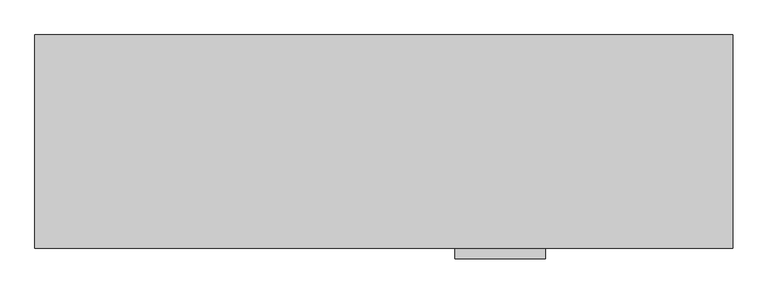
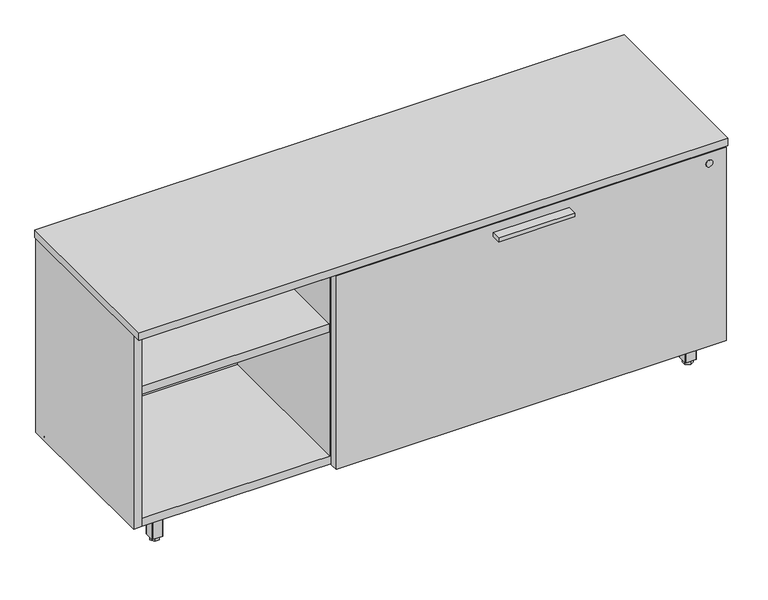
"""IFC4 building model written with IfcOpenShell, lengths in millimetres: furniture geometry."""

from ifc_helpers import new_model, si_unit, point, frame, frame_2d, origin, origin_with_axes, place, context, project, spatial, polyline, circle_curve, trimmed, segment, composite_curve, outline, extrude, source, transform, mapped, element, save


def furniture_224f52fe(model_context):
    return source(origin(), model_context, "Body", "SweptSolid", [
        extrude(outline(polyline([(1003.3635, -447.8158592), (825.5635, -447.8158592), (825.5635, -425.5908592), (1003.3635, -425.5908592), (1003.3635, -447.8158592)])), frame((0.0, 0.0, 506.1508939), z_axis=(0.0, 0.0, 1.0), x_axis=(1.0, 0.0, 0.0)), (0.0, 0.0, 1.0), 9.525),
        extrude(outline(polyline([(70.8025, -367.813183), (76.5175, -377.7118534), (70.8025, -387.6105237), (59.3725, -387.6105237), (53.6575, -377.7118534), (59.3725, -367.813183), (70.8025, -367.813183)])), origin_with_axes(), (0.0, 0.0, 1.0), 9.144),
        extrude(outline(composite_curve([segment(trimmed(circle_curve(frame_2d((65.0875, -377.7118534)), 4.445), [point((69.5325, -377.7118534))], [point((60.6425, -377.7118534))], False, "CARTESIAN"), True, "CONTINUOUS"), segment(trimmed(circle_curve(frame_2d((65.0875, -377.7118534)), 4.445), [point((60.6425, -377.7118534))], [point((69.5325, -377.7118534))], False, "CARTESIAN"), True, "CONTINUOUS")], self_intersect=False)), frame((0.0, 0.0, 7.112), z_axis=(0.0, 0.0, 1.0), x_axis=(1.0, 0.0, 0.0)), (0.0, 0.0, 1.0), 2.032),
        extrude(outline(composite_curve([segment(trimmed(circle_curve(frame_2d((11.1125, -393.5868534)), 3.175), [point((11.1125, -396.7618534))], [point((7.9375, -393.5868534))], False, "CARTESIAN"), True, "CONTINUOUS"), segment(polyline([(7.9375, -393.5868534), (7.9375, -323.7368534)]), True, "CONTINUOUS"), segment(trimmed(circle_curve(frame_2d((11.1125, -323.7368534)), 3.175), [point((7.9375, -323.7368534))], [point((11.1125, -320.5618534))], False, "CARTESIAN"), True, "CONTINUOUS"), segment(polyline([(11.1125, -320.5618534), (80.9625, -320.5618534)]), True, "CONTINUOUS"), segment(trimmed(circle_curve(frame_2d((80.9625, -323.7368534)), 3.175), [point((80.9625, -320.5618534))], [point((84.1375, -323.7368534))], False, "CARTESIAN"), True, "CONTINUOUS"), segment(polyline([(84.1375, -323.7368534), (84.1375, -393.5868534)]), True, "CONTINUOUS"), segment(trimmed(circle_curve(frame_2d((80.9625, -393.5868534)), 3.175), [point((84.1375, -393.5868534))], [point((80.9625, -396.7618534))], False, "CARTESIAN"), True, "CONTINUOUS"), segment(polyline([(80.9625, -396.7618534), (11.1125, -396.7618534)]), True, "CONTINUOUS")], self_intersect=False)), frame((0.0, 0.0, 58.3692), z_axis=(0.0, 0.0, 1.0), x_axis=(1.0, 0.0, 0.0)), (0.0, 0.0, 1.0), 1.89738),
        extrude(outline(composite_curve([segment(polyline([(76.5175, -390.4118534), (53.6575, -390.4118534)]), True, "CONTINUOUS"), segment(trimmed(circle_curve(frame_2d((53.6575, -389.1418534)), 1.27), [point((53.6575, -390.4118534))], [point((52.3875, -389.1418534))], False, "CARTESIAN"), True, "CONTINUOUS"), segment(polyline([(52.3875, -389.1418534), (52.3875, -366.2818534)]), True, "CONTINUOUS"), segment(trimmed(circle_curve(frame_2d((53.6575, -366.2818534)), 1.27), [point((52.3875, -366.2818534))], [point((53.6575, -365.0118534))], False, "CARTESIAN"), True, "CONTINUOUS"), segment(polyline([(53.6575, -365.0118534), (76.5175, -365.0118534)]), True, "CONTINUOUS"), segment(trimmed(circle_curve(frame_2d((76.5175, -366.2818534)), 1.27), [point((76.5175, -365.0118534))], [point((77.7875, -366.2818534))], False, "CARTESIAN"), True, "CONTINUOUS"), segment(polyline([(77.7875, -366.2818534), (77.7875, -389.1418534)]), True, "CONTINUOUS"), segment(trimmed(circle_curve(frame_2d((76.5175, -389.1418534)), 1.27), [point((77.7875, -389.1418534))], [point((76.5175, -390.4118534))], False, "CARTESIAN"), True, "CONTINUOUS")], self_intersect=False)), frame((0.0, 0.0, 9.144), z_axis=(0.0, 0.0, 1.0), x_axis=(1.0, 0.0, 0.0)), (0.0, 0.0, 1.0), 49.2252),
        extrude(outline(polyline([(55.1888296, -42.0508713), (65.0875, -36.3358713), (74.9861704, -42.0508713), (74.9861704, -53.4808713), (65.0875, -59.1958713), (55.1888296, -53.4808713), (55.1888296, -42.0508713)])), origin_with_axes(), (0.0, 0.0, 1.0), 9.144),
        extrude(outline(composite_curve([segment(trimmed(circle_curve(frame_2d((65.0875, -47.7658713)), 4.445), [point((65.0875, -43.3208713))], [point((65.0875, -52.2108713))], False, "CARTESIAN"), True, "CONTINUOUS"), segment(trimmed(circle_curve(frame_2d((65.0875, -47.7658713)), 4.445), [point((65.0875, -52.2108713))], [point((65.0875, -43.3208713))], False, "CARTESIAN"), True, "CONTINUOUS")], self_intersect=False)), frame((0.0, 0.0, 7.112), z_axis=(0.0, 0.0, 1.0), x_axis=(1.0, 0.0, 0.0)), (0.0, 0.0, 1.0), 2.032),
        extrude(outline(composite_curve([segment(trimmed(circle_curve(frame_2d((80.9625, -101.7408713)), 3.175), [point((84.1375, -101.7408713))], [point((80.9625, -104.9158713))], False, "CARTESIAN"), True, "CONTINUOUS"), segment(polyline([(80.9625, -104.9158713), (11.1125, -104.9158713)]), True, "CONTINUOUS"), segment(trimmed(circle_curve(frame_2d((11.1125, -101.7408713)), 3.175), [point((11.1125, -104.9158713))], [point((7.9375, -101.7408713))], False, "CARTESIAN"), True, "CONTINUOUS"), segment(polyline([(7.9375, -101.7408713), (7.9375, -31.8908713)]), True, "CONTINUOUS"), segment(trimmed(circle_curve(frame_2d((11.1125, -31.8908713)), 3.175), [point((7.9375, -31.8908713))], [point((11.1125, -28.7158713))], False, "CARTESIAN"), True, "CONTINUOUS"), segment(polyline([(11.1125, -28.7158713), (80.9625, -28.7158713)]), True, "CONTINUOUS"), segment(trimmed(circle_curve(frame_2d((80.9625, -31.8908713)), 3.175), [point((80.9625, -28.7158713))], [point((84.1375, -31.8908713))], False, "CARTESIAN"), True, "CONTINUOUS"), segment(polyline([(84.1375, -31.8908713), (84.1375, -101.7408713)]), True, "CONTINUOUS")], self_intersect=False)), frame((0.0, 0.0, 58.3692), z_axis=(0.0, 0.0, 1.0), x_axis=(1.0, 0.0, 0.0)), (0.0, 0.0, 1.0), 1.89738),
        extrude(outline(composite_curve([segment(polyline([(77.7875, -36.3358713), (77.7875, -59.1958713)]), True, "CONTINUOUS"), segment(trimmed(circle_curve(frame_2d((76.5175, -59.1958713)), 1.27), [point((77.7875, -59.1958713))], [point((76.5175, -60.4658713))], False, "CARTESIAN"), True, "CONTINUOUS"), segment(polyline([(76.5175, -60.4658713), (53.6575, -60.4658713)]), True, "CONTINUOUS"), segment(trimmed(circle_curve(frame_2d((53.6575, -59.1958713)), 1.27), [point((53.6575, -60.4658713))], [point((52.3875, -59.1958713))], False, "CARTESIAN"), True, "CONTINUOUS"), segment(polyline([(52.3875, -59.1958713), (52.3875, -36.3358713)]), True, "CONTINUOUS"), segment(trimmed(circle_curve(frame_2d((53.6575, -36.3358713)), 1.27), [point((52.3875, -36.3358713))], [point((53.6575, -35.0658713))], False, "CARTESIAN"), True, "CONTINUOUS"), segment(polyline([(53.6575, -35.0658713), (76.5175, -35.0658713)]), True, "CONTINUOUS"), segment(trimmed(circle_curve(frame_2d((76.5175, -36.3358713)), 1.27), [point((76.5175, -35.0658713))], [point((77.7875, -36.3358713))], False, "CARTESIAN"), True, "CONTINUOUS")], self_intersect=False)), frame((0.0, 0.0, 9.144), z_axis=(0.0, 0.0, 1.0), x_axis=(1.0, 0.0, 0.0)), (0.0, 0.0, 1.0), 49.2252),
        extrude(outline(polyline([(1300.7975, -57.6645417), (1295.0825, -47.7658713), (1300.7975, -37.8672009), (1312.2275, -37.8672009), (1317.9425, -47.7658713), (1312.2275, -57.6645417), (1300.7975, -57.6645417)])), origin_with_axes(), (0.0, 0.0, 1.0), 9.144),
        extrude(outline(composite_curve([segment(trimmed(circle_curve(frame_2d((1306.5125, -47.7658713)), 4.445), [point((1302.0675, -47.7658713))], [point((1310.9575, -47.7658713))], False, "CARTESIAN"), True, "CONTINUOUS"), segment(trimmed(circle_curve(frame_2d((1306.5125, -47.7658713)), 4.445), [point((1310.9575, -47.7658713))], [point((1302.0675, -47.7658713))], False, "CARTESIAN"), True, "CONTINUOUS")], self_intersect=False)), frame((0.0, 0.0, 7.112), z_axis=(0.0, 0.0, 1.0), x_axis=(1.0, 0.0, 0.0)), (0.0, 0.0, 1.0), 2.032),
        extrude(outline(composite_curve([segment(trimmed(circle_curve(frame_2d((1360.4875, -31.8908713)), 3.175), [point((1360.4875, -28.7158713))], [point((1363.6625, -31.8908713))], False, "CARTESIAN"), True, "CONTINUOUS"), segment(polyline([(1363.6625, -31.8908713), (1363.6625, -101.7408713)]), True, "CONTINUOUS"), segment(trimmed(circle_curve(frame_2d((1360.4875, -101.7408713)), 3.175), [point((1363.6625, -101.7408713))], [point((1360.4875, -104.9158713))], False, "CARTESIAN"), True, "CONTINUOUS"), segment(polyline([(1360.4875, -104.9158713), (1290.6375, -104.9158713)]), True, "CONTINUOUS"), segment(trimmed(circle_curve(frame_2d((1290.6375, -101.7408713)), 3.175), [point((1290.6375, -104.9158713))], [point((1287.4625, -101.7408713))], False, "CARTESIAN"), True, "CONTINUOUS"), segment(polyline([(1287.4625, -101.7408713), (1287.4625, -31.8908713)]), True, "CONTINUOUS"), segment(trimmed(circle_curve(frame_2d((1290.6375, -31.8908713)), 3.175), [point((1287.4625, -31.8908713))], [point((1290.6375, -28.7158713))], False, "CARTESIAN"), True, "CONTINUOUS"), segment(polyline([(1290.6375, -28.7158713), (1360.4875, -28.7158713)]), True, "CONTINUOUS")], self_intersect=False)), frame((0.0, 0.0, 58.3692), z_axis=(0.0, 0.0, 1.0), x_axis=(1.0, 0.0, 0.0)), (0.0, 0.0, 1.0), 1.89738),
        extrude(outline(composite_curve([segment(polyline([(1295.0825, -35.0658713), (1317.9425, -35.0658713)]), True, "CONTINUOUS"), segment(trimmed(circle_curve(frame_2d((1317.9425, -36.3358713)), 1.27), [point((1317.9425, -35.0658713))], [point((1319.2125, -36.3358713))], False, "CARTESIAN"), True, "CONTINUOUS"), segment(polyline([(1319.2125, -36.3358713), (1319.2125, -59.1958713)]), True, "CONTINUOUS"), segment(trimmed(circle_curve(frame_2d((1317.9425, -59.1958713)), 1.27), [point((1319.2125, -59.1958713))], [point((1317.9425, -60.4658713))], False, "CARTESIAN"), True, "CONTINUOUS"), segment(polyline([(1317.9425, -60.4658713), (1295.0825, -60.4658713)]), True, "CONTINUOUS"), segment(trimmed(circle_curve(frame_2d((1295.0825, -59.1958713)), 1.27), [point((1295.0825, -60.4658713))], [point((1293.8125, -59.1958713))], False, "CARTESIAN"), True, "CONTINUOUS"), segment(polyline([(1293.8125, -59.1958713), (1293.8125, -36.3358713)]), True, "CONTINUOUS"), segment(trimmed(circle_curve(frame_2d((1295.0825, -36.3358713)), 1.27), [point((1293.8125, -36.3358713))], [point((1295.0825, -35.0658713))], False, "CARTESIAN"), True, "CONTINUOUS")], self_intersect=False)), frame((0.0, 0.0, 9.144), z_axis=(0.0, 0.0, 1.0), x_axis=(1.0, 0.0, 0.0)), (0.0, 0.0, 1.0), 49.2252),
        extrude(outline(polyline([(1316.4111704, -383.4268534), (1306.5125, -389.1418534), (1296.6138296, -383.4268534), (1296.6138296, -371.9968534), (1306.5125, -366.2818534), (1316.4111704, -371.9968534), (1316.4111704, -383.4268534)])), origin_with_axes(), (0.0, 0.0, 1.0), 9.144),
        extrude(outline(composite_curve([segment(trimmed(circle_curve(frame_2d((1306.5125, -377.7118534)), 4.445), [point((1306.5125, -382.1568534))], [point((1306.5125, -373.2668534))], False, "CARTESIAN"), True, "CONTINUOUS"), segment(trimmed(circle_curve(frame_2d((1306.5125, -377.7118534)), 4.445), [point((1306.5125, -373.2668534))], [point((1306.5125, -382.1568534))], False, "CARTESIAN"), True, "CONTINUOUS")], self_intersect=False)), frame((0.0, 0.0, 7.112), z_axis=(0.0, 0.0, 1.0), x_axis=(1.0, 0.0, 0.0)), (0.0, 0.0, 1.0), 2.032),
        extrude(outline(composite_curve([segment(trimmed(circle_curve(frame_2d((1290.6375, -323.7368534)), 3.175), [point((1287.4625, -323.7368534))], [point((1290.6375, -320.5618534))], False, "CARTESIAN"), True, "CONTINUOUS"), segment(polyline([(1290.6375, -320.5618534), (1360.4875, -320.5618534)]), True, "CONTINUOUS"), segment(trimmed(circle_curve(frame_2d((1360.4875, -323.7368534)), 3.175), [point((1360.4875, -320.5618534))], [point((1363.6625, -323.7368534))], False, "CARTESIAN"), True, "CONTINUOUS"), segment(polyline([(1363.6625, -323.7368534), (1363.6625, -393.5868534)]), True, "CONTINUOUS"), segment(trimmed(circle_curve(frame_2d((1360.4875, -393.5868534)), 3.175), [point((1363.6625, -393.5868534))], [point((1360.4875, -396.7618534))], False, "CARTESIAN"), True, "CONTINUOUS"), segment(polyline([(1360.4875, -396.7618534), (1290.6375, -396.7618534)]), True, "CONTINUOUS"), segment(trimmed(circle_curve(frame_2d((1290.6375, -393.5868534)), 3.175), [point((1290.6375, -396.7618534))], [point((1287.4625, -393.5868534))], False, "CARTESIAN"), True, "CONTINUOUS"), segment(polyline([(1287.4625, -393.5868534), (1287.4625, -323.7368534)]), True, "CONTINUOUS")], self_intersect=False)), frame((0.0, 0.0, 58.3692), z_axis=(0.0, 0.0, 1.0), x_axis=(1.0, 0.0, 0.0)), (0.0, 0.0, 1.0), 1.89738),
        extrude(outline(composite_curve([segment(polyline([(1293.8125, -389.1418534), (1293.8125, -366.2818534)]), True, "CONTINUOUS"), segment(trimmed(circle_curve(frame_2d((1295.0825, -366.2818534)), 1.27), [point((1293.8125, -366.2818534))], [point((1295.0825, -365.0118534))], False, "CARTESIAN"), True, "CONTINUOUS"), segment(polyline([(1295.0825, -365.0118534), (1317.9425, -365.0118534)]), True, "CONTINUOUS"), segment(trimmed(circle_curve(frame_2d((1317.9425, -366.2818534)), 1.27), [point((1317.9425, -365.0118534))], [point((1319.2125, -366.2818534))], False, "CARTESIAN"), True, "CONTINUOUS"), segment(polyline([(1319.2125, -366.2818534), (1319.2125, -389.1418534)]), True, "CONTINUOUS"), segment(trimmed(circle_curve(frame_2d((1317.9425, -389.1418534)), 1.27), [point((1319.2125, -389.1418534))], [point((1317.9425, -390.4118534))], False, "CARTESIAN"), True, "CONTINUOUS"), segment(polyline([(1317.9425, -390.4118534), (1295.0825, -390.4118534)]), True, "CONTINUOUS"), segment(trimmed(circle_curve(frame_2d((1295.0825, -389.1418534)), 1.27), [point((1295.0825, -390.4118534))], [point((1293.8125, -389.1418534))], False, "CARTESIAN"), True, "CONTINUOUS")], self_intersect=False)), frame((0.0, 0.0, 9.144), z_axis=(0.0, 0.0, 1.0), x_axis=(1.0, 0.0, 0.0)), (0.0, 0.0, 1.0), 49.2252),
        extrude(outline(polyline([(460.502, -406.2868776), (1368.425, -406.2868776), (1368.425, -425.5908592), (460.502, -425.5908592), (460.502, -406.2868776)])), frame((0.0, 0.0, 60.26658), z_axis=(0.0, 0.0, 1.0), x_axis=(1.0, 0.0, 0.0)), (0.0, 0.0, 1.0), 476.0468139),
        extrude(outline(polyline([(1350.7085154, -30.4938704), (1350.7085154, -402.7308447), (20.8915005, -402.7308447), (20.8915005, -30.4938704), (1350.7085154, -30.4938704)])), frame((0.0, 0.0, 520.1843787), z_axis=(0.0, 0.0, 1.0), x_axis=(1.0, 0.0, 0.0)), (0.0, 0.0, 1.0), 19.304),
        extrude(outline(polyline([(478.2185, -30.4938704), (478.2185, -401.5878548), (458.9145, -401.5878548), (458.9145, -30.4938704), (478.2185, -30.4938704)])), frame((0.0, 0.0, 79.57058), z_axis=(0.0, 0.0, 1.0), x_axis=(1.0, 0.0, 0.0)), (0.0, 0.0, 1.0), 440.6137987),
        extrude(outline(polyline([(458.9145, -30.4938704), (458.9145, -400.8258374), (20.8915, -400.8258374), (20.8915, -30.4938704), (458.9145, -30.4938704)])), frame((0.0, 0.0, 384.3705787), z_axis=(0.0, 0.0, 1.0), x_axis=(1.0, 0.0, 0.0)), (0.0, 0.0, 1.0), 19.304),
        extrude(outline(polyline([(1371.6, -8.0783713), (1371.6, -427.1783713), (0.0, -427.1783713), (0.0, -8.0783713), (1371.6, -8.0783713)])), frame((0.0, 0.0, 539.4883818), z_axis=(0.0, 0.0, 1.0), x_axis=(1.0, 0.0, 0.0)), (0.0, 0.0, 1.0), 19.0499969),
        extrude(outline(polyline([(1350.7085154, -30.4938704), (1350.7085154, -402.7308447), (20.8915005, -402.7308447), (20.8915005, -30.4938704), (1350.7085154, -30.4938704)])), frame((0.0, 0.0, 60.26658), z_axis=(0.0, 0.0, 1.0), x_axis=(1.0, 0.0, 0.0)), (0.0, 0.0, 1.0), 19.304),
        extrude(outline(polyline([(1350.7085154, -11.1898712), (1350.7085154, -30.4938704), (20.8915005, -30.4938704), (20.8915005, -11.1898712), (1350.7085154, -11.1898712)])), frame((0.0, 0.0, 60.26658), z_axis=(0.0, 0.0, 1.0), x_axis=(1.0, 0.0, 0.0)), (0.0, 0.0, 1.0), 479.2217987),
        extrude(outline(polyline([(20.8915005, -9.6658713), (20.8915005, -403.1118534), (1.5875, -403.1118534), (1.5875, -9.6658713), (20.8915005, -9.6658713)])), frame((0.0, 0.0, 60.26658), z_axis=(0.0, 0.0, 1.0), x_axis=(1.0, 0.0, 0.0)), (0.0, 0.0, 1.0), 479.2217987),
        extrude(outline(polyline([(1350.7085154, -9.6658713), (1370.0125158, -9.6658713), (1370.0125158, -403.1118534), (1350.7085154, -403.1118534), (1350.7085154, -9.6658713)])), frame((0.0, 0.0, 60.26658), z_axis=(0.0, 0.0, 1.0), x_axis=(1.0, 0.0, 0.0)), (0.0, 0.0, 1.0), 479.2217987),
        extrude(outline(composite_curve([segment(trimmed(circle_curve(frame_2d((510.9133939, 1328.42)), 8.001), [point((510.9133939, 1336.421))], [point((510.9133939, 1320.419))], False, "CARTESIAN"), True, "CONTINUOUS"), segment(trimmed(circle_curve(frame_2d((510.9133939, 1328.42)), 8.001), [point((510.9133939, 1320.419))], [point((510.9133939, 1336.421))], False, "CARTESIAN"), True, "CONTINUOUS")], self_intersect=False)), frame((0.0, -427.1783713, 0.0), z_axis=(0.0, 1.0, 0.0), x_axis=(0.0, 0.0, 1.0)), (0.0, 0.0, 1.0), 1.5875121),
    ])


if __name__ == "__main__":
    model = new_model("IFC4")
    model_context = context("Model", 3, world=origin())
    ifc_project = project(units=[si_unit("LENGTHUNIT", "METRE", prefix="MILLI")], contexts=[model_context])
    site = spatial("IfcSite", under=ifc_project)
    building = spatial("IfcBuilding", under=site)
    placement = place(None, origin())
    furniture_shape = furniture_224f52fe(model_context)
    element("IfcFurniture", 1, at=placement, inside=building, context=model_context, shape_type="MappedRepresentation", body=[
        mapped(furniture_shape, transform((0.0, 0.0, 0.0), x_axis=(1.0, 0.0, 0.0), y_axis=(0.0, 1.0, 0.0), z_axis=(0.0, 0.0, 1.0))),
    ])
    save(model, "model.ifc")
